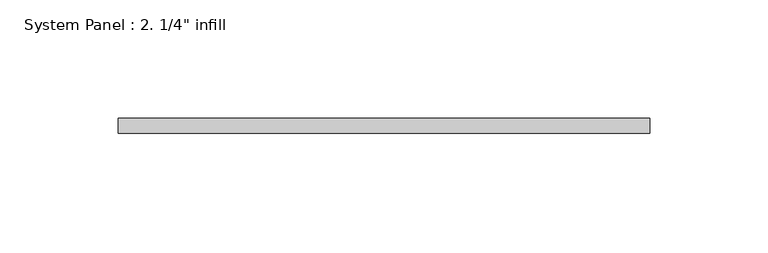
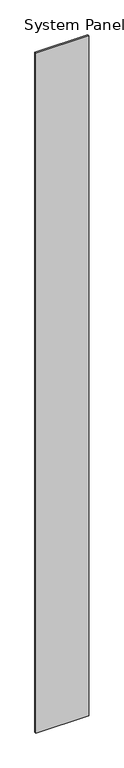
"""IFC4 building model written with IfcOpenShell, lengths in millimetres: plate geometry."""

from ifc_helpers import new_model, si_unit, origin, origin_with_axes, place, context, project, spatial, polyline, outline, extrude, source, transform, mapped, element, save


def plate_61f5a415(model_context):
    return source(origin(), model_context, "Body", "SweptSolid", [
        extrude(outline(polyline([(112.5402686, 0.0), (-112.5402686, 0.0), (-112.5402686, 6.35), (112.5402686, 6.35), (112.5402686, 0.0)])), origin_with_axes(), (0.0, 0.0, 1.0), 3048.0),
    ])


if __name__ == "__main__":
    model = new_model("IFC4")
    model_context = context("Model", 3, world=origin())
    ifc_project = project(units=[si_unit("LENGTHUNIT", "METRE", prefix="MILLI")], contexts=[model_context])
    site = spatial("IfcSite", under=ifc_project)
    building = spatial("IfcBuilding", under=site)
    placement = place(None, origin())
    plate_shape = plate_61f5a415(model_context)
    element("IfcPlate", 1, ObjectType="System Panel : 2. 1/4\" infill", at=placement, inside=building, context=model_context, shape_type="MappedRepresentation", body=[
        mapped(plate_shape, transform((0.0, 0.0, 0.0), x_axis=(1.0, 0.0, 0.0), y_axis=(0.0, 1.0, 0.0), z_axis=(0.0, 0.0, 1.0))),
    ])
    save(model, "model.ifc")
